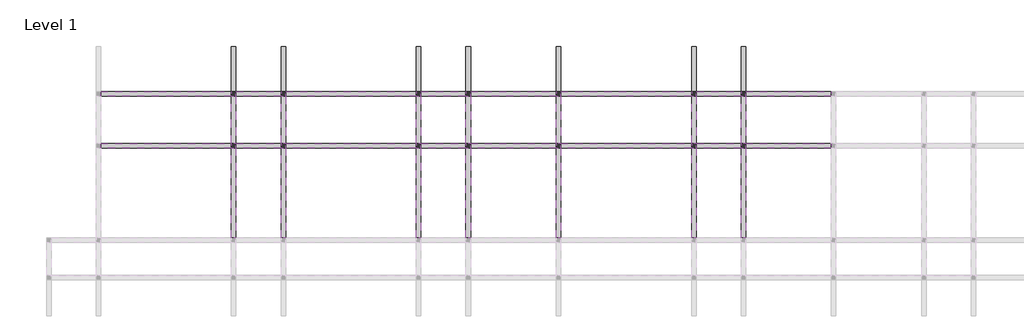
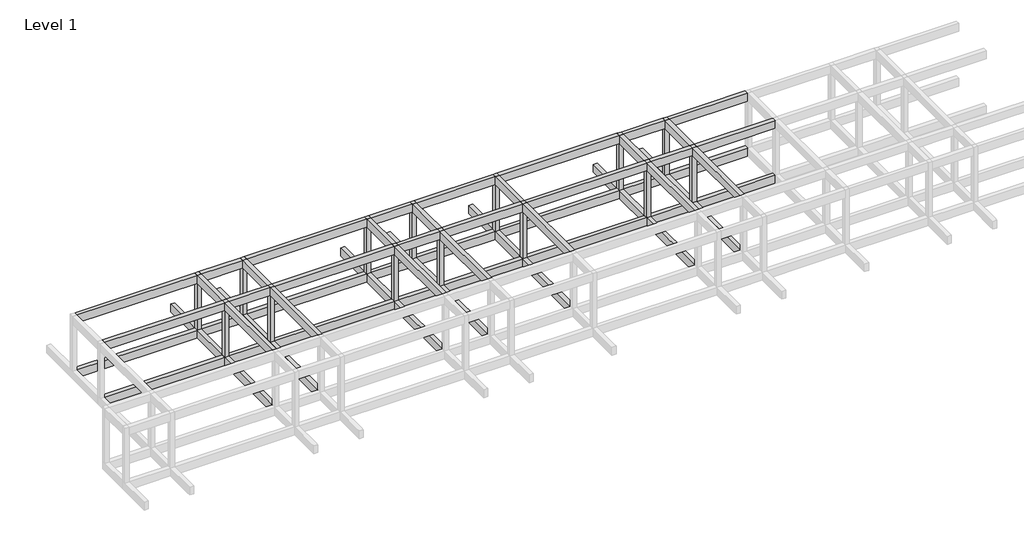
# One storey, part 4 of 5: 60 beams, 14 columns.
"""IFC4 building model written with IfcOpenShell, lengths in millimetres."""

from ifc_helpers import new_model, si_unit, frame, origin, origin_with_axes, place, context, project, spatial, polyline, outline, extrude, faceted_brep, element, save

model = new_model("IFC4")

# Units and contexts
model_context = context("Model", 3, world=origin())
ifc_project = project(units=[si_unit("LENGTHUNIT", "METRE", prefix="MILLI")], contexts=[model_context])

# Site, building, storey
site = spatial("IfcSite", under=ifc_project)
building = spatial("IfcBuilding", under=site)
storey = spatial("IfcBuildingStorey", under=building, Name="Level 1", Elevation=0.0)

# Beams
placement = place(None, origin())
element("IfcBeam", 1, ObjectType="M_Concrete-Rectangular Beam : 300 x 600mm", at=placement, inside=storey, context=model_context, shape_type="Brep", body=[
    faceted_brep([(-7704.046467, 6174.2507663, 0.0), (-8004.046467, 6174.2507663, 0.0), (-8004.046467, 5874.2507663, 0.0), (-8004.046467, -125.7492337, 0.0), (-7704.046467, -125.7492337, 0.0), (-7704.046467, 5874.2507663, 0.0), (-7704.046467, 6174.2507663, -600.0), (-7704.046467, -125.7492337, -600.0), (-7704.046467, 5874.2507663, -600.0), (-8004.046467, 6174.2507663, -600.0), (-8004.046467, -125.7492337, -600.0), (-8004.046467, 5874.2507663, -600.0)], [[[0, 1, 2, 3, 4, 5]], [[6, 0, 5, 4, 7, 8]], [[9, 6, 8, 7, 10, 11]], [[1, 9, 11, 10, 3, 2]], [[1, 0, 6, 9]], [[4, 3, 10, 7]]]),
])
element("IfcBeam", 2, ObjectType="M_Concrete-Rectangular Beam : 300 x 600mm", at=placement, inside=storey, context=model_context, shape_type="Brep", body=[
    faceted_brep([(-8004.046467, 12624.2507663, 0.0), (-7704.046467, 12624.2507663, 0.0), (-7704.046467, 12624.2507663, -600.0), (-8004.046467, 12624.2507663, -600.0), (-8004.046467, 9624.2507663, 0.0), (-8004.046467, 9324.2507663, 0.0), (-8004.046467, 6174.2507663, 0.0), (-7704.046467, 6174.2507663, 0.0), (-7704.046467, 9324.2507663, 0.0), (-7704.046467, 9624.2507663, 0.0), (-7704.046467, 6174.2507663, -600.0), (-7704.046467, 9324.2507663, -600.0), (-7704.046467, 9624.2507663, -600.0), (-8004.046467, 6174.2507663, -600.0), (-8004.046467, 9324.2507663, -600.0), (-8004.046467, 9624.2507663, -600.0)], [[[0, 1, 2, 3]], [[1, 0, 4, 5, 6, 7, 8, 9]], [[2, 1, 9, 8, 7, 10, 11, 12]], [[3, 2, 12, 11, 10, 13, 14, 15]], [[0, 3, 15, 14, 13, 6, 5, 4]], [[7, 6, 13, 10]]]),
])
element("IfcBeam", 3, ObjectType="M_Concrete-Rectangular Beam : 300 x 600mm", at=placement, inside=storey, context=model_context, shape_type="Brep", body=[
    faceted_brep([(-4404.046467, 6174.2507663, 0.0), (-4704.046467, 6174.2507663, 0.0), (-4704.046467, 5874.2507663, 0.0), (-4704.046467, -125.7492337, 0.0), (-4404.046467, -125.7492337, 0.0), (-4404.046467, 5874.2507663, 0.0), (-4404.046467, 6174.2507663, -600.0), (-4404.046467, -125.7492337, -600.0), (-4404.046467, 5874.2507663, -600.0), (-4704.046467, 6174.2507663, -600.0), (-4704.046467, -125.7492337, -600.0), (-4704.046467, 5874.2507663, -600.0)], [[[0, 1, 2, 3, 4, 5]], [[6, 0, 5, 4, 7, 8]], [[9, 6, 8, 7, 10, 11]], [[1, 9, 11, 10, 3, 2]], [[1, 0, 6, 9]], [[4, 3, 10, 7]]]),
])
element("IfcBeam", 4, ObjectType="M_Concrete-Rectangular Beam : 300 x 600mm", at=placement, inside=storey, context=model_context, shape_type="Brep", body=[
    faceted_brep([(-4704.046467, 12624.2507663, 0.0), (-4404.046467, 12624.2507663, 0.0), (-4404.046467, 12624.2507663, -600.0), (-4704.046467, 12624.2507663, -600.0), (-4704.046467, 9624.2507663, 0.0), (-4704.046467, 9324.2507663, 0.0), (-4704.046467, 6174.2507663, 0.0), (-4404.046467, 6174.2507663, 0.0), (-4404.046467, 9324.2507663, 0.0), (-4404.046467, 9624.2507663, 0.0), (-4404.046467, 6174.2507663, -600.0), (-4404.046467, 9324.2507663, -600.0), (-4404.046467, 9624.2507663, -600.0), (-4704.046467, 6174.2507663, -600.0), (-4704.046467, 9324.2507663, -600.0), (-4704.046467, 9624.2507663, -600.0)], [[[0, 1, 2, 3]], [[1, 0, 4, 5, 6, 7, 8, 9]], [[2, 1, 9, 8, 7, 10, 11, 12]], [[3, 2, 12, 11, 10, 13, 14, 15]], [[0, 3, 15, 14, 13, 6, 5, 4]], [[7, 6, 13, 10]]]),
])
element("IfcBeam", 5, ObjectType="M_Concrete-Rectangular Beam : 300 x 600mm", at=placement, inside=storey, context=model_context, shape_type="Brep", body=[
    faceted_brep([(4595.953533, 6174.2507663, 0.0), (4295.953533, 6174.2507663, 0.0), (4295.953533, 5874.2507663, 0.0), (4295.953533, -125.7492337, 0.0), (4595.953533, -125.7492337, 0.0), (4595.953533, 5874.2507663, 0.0), (4595.953533, 6174.2507663, -600.0), (4595.953533, -125.7492337, -600.0), (4595.953533, 5874.2507663, -600.0), (4295.953533, 6174.2507663, -600.0), (4295.953533, -125.7492337, -600.0), (4295.953533, 5874.2507663, -600.0)], [[[0, 1, 2, 3, 4, 5]], [[6, 0, 5, 4, 7, 8]], [[9, 6, 8, 7, 10, 11]], [[1, 9, 11, 10, 3, 2]], [[1, 0, 6, 9]], [[4, 3, 10, 7]]]),
])
element("IfcBeam", 6, ObjectType="M_Concrete-Rectangular Beam : 300 x 600mm", at=placement, inside=storey, context=model_context, shape_type="Brep", body=[
    faceted_brep([(4295.953533, 12624.2507663, 0.0), (4595.953533, 12624.2507663, 0.0), (4595.953533, 12624.2507663, -600.0), (4295.953533, 12624.2507663, -600.0), (4295.953533, 9624.2507663, 0.0), (4295.953533, 9324.2507663, 0.0), (4295.953533, 6174.2507663, 0.0), (4595.953533, 6174.2507663, 0.0), (4595.953533, 9324.2507663, 0.0), (4595.953533, 9624.2507663, 0.0), (4595.953533, 6174.2507663, -600.0), (4595.953533, 9324.2507663, -600.0), (4595.953533, 9624.2507663, -600.0), (4295.953533, 6174.2507663, -600.0), (4295.953533, 9324.2507663, -600.0), (4295.953533, 9624.2507663, -600.0)], [[[0, 1, 2, 3]], [[1, 0, 4, 5, 6, 7, 8, 9]], [[2, 1, 9, 8, 7, 10, 11, 12]], [[3, 2, 12, 11, 10, 13, 14, 15]], [[0, 3, 15, 14, 13, 6, 5, 4]], [[7, 6, 13, 10]]]),
])
element("IfcBeam", 7, ObjectType="M_Concrete-Rectangular Beam : 300 x 600mm", at=placement, inside=storey, context=model_context, shape_type="Brep", body=[
    faceted_brep([(7895.953533, 6174.2507663, 0.0), (7595.953533, 6174.2507663, 0.0), (7595.953533, 5874.2507663, 0.0), (7595.953533, -125.7492337, 0.0), (7895.953533, -125.7492337, 0.0), (7895.953533, 5874.2507663, 0.0), (7895.953533, 6174.2507663, -600.0), (7895.953533, -125.7492337, -600.0), (7895.953533, 5874.2507663, -600.0), (7595.953533, 6174.2507663, -600.0), (7595.953533, -125.7492337, -600.0), (7595.953533, 5874.2507663, -600.0)], [[[0, 1, 2, 3, 4, 5]], [[6, 0, 5, 4, 7, 8]], [[9, 6, 8, 7, 10, 11]], [[1, 9, 11, 10, 3, 2]], [[1, 0, 6, 9]], [[4, 3, 10, 7]]]),
])
element("IfcBeam", 8, ObjectType="M_Concrete-Rectangular Beam : 300 x 600mm", at=placement, inside=storey, context=model_context, shape_type="Brep", body=[
    faceted_brep([(7595.953533, 12624.2507663, 0.0), (7895.953533, 12624.2507663, 0.0), (7895.953533, 12624.2507663, -600.0), (7595.953533, 12624.2507663, -600.0), (7595.953533, 9624.2507663, 0.0), (7595.953533, 9324.2507663, 0.0), (7595.953533, 6174.2507663, 0.0), (7895.953533, 6174.2507663, 0.0), (7895.953533, 9324.2507663, 0.0), (7895.953533, 9624.2507663, 0.0), (7895.953533, 6174.2507663, -600.0), (7895.953533, 9324.2507663, -600.0), (7895.953533, 9624.2507663, -600.0), (7595.953533, 6174.2507663, -600.0), (7595.953533, 9324.2507663, -600.0), (7595.953533, 9624.2507663, -600.0)], [[[0, 1, 2, 3]], [[1, 0, 4, 5, 6, 7, 8, 9]], [[2, 1, 9, 8, 7, 10, 11, 12]], [[3, 2, 12, 11, 10, 13, 14, 15]], [[0, 3, 15, 14, 13, 6, 5, 4]], [[7, 6, 13, 10]]]),
])
element("IfcBeam", 9, ObjectType="M_Concrete-Rectangular Beam : 300 x 600mm", at=placement, inside=storey, context=model_context, shape_type="Brep", body=[
    faceted_brep([(13895.953533, 6174.2507663, 0.0), (13595.953533, 6174.2507663, 0.0), (13595.953533, 5874.2507663, 0.0), (13595.953533, -125.7492337, 0.0), (13895.953533, -125.7492337, 0.0), (13895.953533, 5874.2507663, 0.0), (13895.953533, 6174.2507663, -600.0), (13895.953533, -125.7492337, -600.0), (13895.953533, 5874.2507663, -600.0), (13595.953533, 6174.2507663, -600.0), (13595.953533, -125.7492337, -600.0), (13595.953533, 5874.2507663, -600.0)], [[[0, 1, 2, 3, 4, 5]], [[6, 0, 5, 4, 7, 8]], [[9, 6, 8, 7, 10, 11]], [[1, 9, 11, 10, 3, 2]], [[1, 0, 6, 9]], [[4, 3, 10, 7]]]),
])
element("IfcBeam", 10, ObjectType="M_Concrete-Rectangular Beam : 300 x 600mm", at=placement, inside=storey, context=model_context, shape_type="Brep", body=[
    faceted_brep([(13595.953533, 12624.2507663, 0.0), (13895.953533, 12624.2507663, 0.0), (13895.953533, 12624.2507663, -600.0), (13595.953533, 12624.2507663, -600.0), (13595.953533, 9624.2507663, 0.0), (13595.953533, 9324.2507663, 0.0), (13595.953533, 6174.2507663, 0.0), (13895.953533, 6174.2507663, 0.0), (13895.953533, 9324.2507663, 0.0), (13895.953533, 9624.2507663, 0.0), (13895.953533, 6174.2507663, -600.0), (13895.953533, 9324.2507663, -600.0), (13895.953533, 9624.2507663, -600.0), (13595.953533, 6174.2507663, -600.0), (13595.953533, 9324.2507663, -600.0), (13595.953533, 9624.2507663, -600.0)], [[[0, 1, 2, 3]], [[1, 0, 4, 5, 6, 7, 8, 9]], [[2, 1, 9, 8, 7, 10, 11, 12]], [[3, 2, 12, 11, 10, 13, 14, 15]], [[0, 3, 15, 14, 13, 6, 5, 4]], [[7, 6, 13, 10]]]),
])
element("IfcBeam", 11, ObjectType="M_Concrete-Rectangular Beam : 300 x 600mm", at=placement, inside=storey, context=model_context, shape_type="Brep", body=[
    faceted_brep([(26195.953533, 6174.2507663, 0.0), (25895.953533, 6174.2507663, 0.0), (25895.953533, 5874.2507663, 0.0), (25895.953533, -125.7492337, 0.0), (26195.953533, -125.7492337, 0.0), (26195.953533, 5874.2507663, 0.0), (26195.953533, 6174.2507663, -600.0), (26195.953533, -125.7492337, -600.0), (26195.953533, 5874.2507663, -600.0), (25895.953533, 6174.2507663, -600.0), (25895.953533, -125.7492337, -600.0), (25895.953533, 5874.2507663, -600.0)], [[[0, 1, 2, 3, 4, 5]], [[6, 0, 5, 4, 7, 8]], [[9, 6, 8, 7, 10, 11]], [[1, 9, 11, 10, 3, 2]], [[1, 0, 6, 9]], [[4, 3, 10, 7]]]),
])
element("IfcBeam", 12, ObjectType="M_Concrete-Rectangular Beam : 300 x 600mm", at=placement, inside=storey, context=model_context, shape_type="Brep", body=[
    faceted_brep([(25895.953533, 12624.2507663, 0.0), (26195.953533, 12624.2507663, 0.0), (26195.953533, 12624.2507663, -600.0), (25895.953533, 12624.2507663, -600.0), (25895.953533, 9624.2507663, 0.0), (25895.953533, 9324.2507663, 0.0), (25895.953533, 6174.2507663, 0.0), (26195.953533, 6174.2507663, 0.0), (26195.953533, 9324.2507663, 0.0), (26195.953533, 9624.2507663, 0.0), (26195.953533, 6174.2507663, -600.0), (26195.953533, 9324.2507663, -600.0), (26195.953533, 9624.2507663, -600.0), (25895.953533, 6174.2507663, -600.0), (25895.953533, 9324.2507663, -600.0), (25895.953533, 9624.2507663, -600.0)], [[[0, 1, 2, 3]], [[1, 0, 4, 5, 6, 7, 8, 9]], [[2, 1, 9, 8, 7, 10, 11, 12]], [[3, 2, 12, 11, 10, 13, 14, 15]], [[0, 3, 15, 14, 13, 6, 5, 4]], [[7, 6, 13, 10]]]),
])
element("IfcBeam", 13, ObjectType="M_Concrete-Rectangular Beam : 300 x 600mm", at=placement, inside=storey, context=model_context, shape_type="Brep", body=[
    faceted_brep([(22895.953533, 6174.2507663, 0.0), (22595.953533, 6174.2507663, 0.0), (22595.953533, 5874.2507663, 0.0), (22595.953533, -125.7492337, 0.0), (22895.953533, -125.7492337, 0.0), (22895.953533, 5874.2507663, 0.0), (22895.953533, 6174.2507663, -600.0), (22895.953533, -125.7492337, -600.0), (22895.953533, 5874.2507663, -600.0), (22595.953533, 6174.2507663, -600.0), (22595.953533, -125.7492337, -600.0), (22595.953533, 5874.2507663, -600.0)], [[[0, 1, 2, 3, 4, 5]], [[6, 0, 5, 4, 7, 8]], [[9, 6, 8, 7, 10, 11]], [[1, 9, 11, 10, 3, 2]], [[1, 0, 6, 9]], [[4, 3, 10, 7]]]),
])
element("IfcBeam", 14, ObjectType="M_Concrete-Rectangular Beam : 300 x 600mm", at=placement, inside=storey, context=model_context, shape_type="Brep", body=[
    faceted_brep([(22595.953533, 12624.2507663, 0.0), (22895.953533, 12624.2507663, 0.0), (22895.953533, 12624.2507663, -600.0), (22595.953533, 12624.2507663, -600.0), (22595.953533, 9624.2507663, 0.0), (22595.953533, 9324.2507663, 0.0), (22595.953533, 6174.2507663, 0.0), (22895.953533, 6174.2507663, 0.0), (22895.953533, 9324.2507663, 0.0), (22895.953533, 9624.2507663, 0.0), (22895.953533, 6174.2507663, -600.0), (22895.953533, 9324.2507663, -600.0), (22895.953533, 9624.2507663, -600.0), (22595.953533, 6174.2507663, -600.0), (22595.953533, 9324.2507663, -600.0), (22595.953533, 9624.2507663, -600.0)], [[[0, 1, 2, 3]], [[1, 0, 4, 5, 6, 7, 8, 9]], [[2, 1, 9, 8, 7, 10, 11, 12]], [[3, 2, 12, 11, 10, 13, 14, 15]], [[0, 3, 15, 14, 13, 6, 5, 4]], [[7, 6, 13, 10]]]),
])
element("IfcBeam", 15, ObjectType="M_Concrete-Rectangular Beam : 300 x 600mm", at=placement, inside=storey, context=model_context, shape_type="SweptSolid", body=[
    extrude(outline(polyline([(-16704.046467, 9324.2507663), (-16704.046467, 9624.2507663), (-8004.046467, 9624.2507663), (-8004.046467, 9324.2507663), (-16704.046467, 9324.2507663)])), frame((0.0, 0.0, -600.0), z_axis=(0.0, 0.0, 1.0), x_axis=(1.0, 0.0, 0.0)), (0.0, 0.0, 1.0), 600.0),
])
element("IfcBeam", 16, ObjectType="M_Concrete-Rectangular Beam : 300 x 600mm", at=placement, inside=storey, context=model_context, shape_type="SweptSolid", body=[
    extrude(outline(polyline([(-7704.046467, 9324.2507663), (-7704.046467, 9624.2507663), (-4704.046467, 9624.2507663), (-4704.046467, 9324.2507663), (-7704.046467, 9324.2507663)])), frame((0.0, 0.0, -600.0), z_axis=(0.0, 0.0, 1.0), x_axis=(1.0, 0.0, 0.0)), (0.0, 0.0, 1.0), 600.0),
])
element("IfcBeam", 17, ObjectType="M_Concrete-Rectangular Beam : 300 x 600mm", at=placement, inside=storey, context=model_context, shape_type="SweptSolid", body=[
    extrude(outline(polyline([(-4404.046467, 9324.2507663), (-4404.046467, 9624.2507663), (4295.953533, 9624.2507663), (4295.953533, 9324.2507663), (-4404.046467, 9324.2507663)])), frame((0.0, 0.0, -600.0), z_axis=(0.0, 0.0, 1.0), x_axis=(1.0, 0.0, 0.0)), (0.0, 0.0, 1.0), 600.0),
])
element("IfcBeam", 18, ObjectType="M_Concrete-Rectangular Beam : 300 x 600mm", at=placement, inside=storey, context=model_context, shape_type="SweptSolid", body=[
    extrude(outline(polyline([(4595.953533, 9324.2507663), (4595.953533, 9624.2507663), (7595.953533, 9624.2507663), (7595.953533, 9324.2507663), (4595.953533, 9324.2507663)])), frame((0.0, 0.0, -600.0), z_axis=(0.0, 0.0, 1.0), x_axis=(1.0, 0.0, 0.0)), (0.0, 0.0, 1.0), 600.0),
])
element("IfcBeam", 19, ObjectType="M_Concrete-Rectangular Beam : 300 x 600mm", at=placement, inside=storey, context=model_context, shape_type="SweptSolid", body=[
    extrude(outline(polyline([(7895.953533, 9324.2507663), (7895.953533, 9624.2507663), (13595.953533, 9624.2507663), (13595.953533, 9324.2507663), (7895.953533, 9324.2507663)])), frame((0.0, 0.0, -600.0), z_axis=(0.0, 0.0, 1.0), x_axis=(1.0, 0.0, 0.0)), (0.0, 0.0, 1.0), 600.0),
])
element("IfcBeam", 20, ObjectType="M_Concrete-Rectangular Beam : 300 x 600mm", at=placement, inside=storey, context=model_context, shape_type="SweptSolid", body=[
    extrude(outline(polyline([(13895.953533, 9324.2507663), (13895.953533, 9624.2507663), (22595.953533, 9624.2507663), (22595.953533, 9324.2507663), (13895.953533, 9324.2507663)])), frame((0.0, 0.0, -600.0), z_axis=(0.0, 0.0, 1.0), x_axis=(1.0, 0.0, 0.0)), (0.0, 0.0, 1.0), 600.0),
])
element("IfcBeam", 21, ObjectType="M_Concrete-Rectangular Beam : 300 x 600mm", at=placement, inside=storey, context=model_context, shape_type="SweptSolid", body=[
    extrude(outline(polyline([(25895.953533, 9624.2507663), (25895.953533, 9324.2507663), (22895.953533, 9324.2507663), (22895.953533, 9624.2507663), (25895.953533, 9624.2507663)])), frame((0.0, 0.0, -600.0), z_axis=(0.0, 0.0, 1.0), x_axis=(1.0, 0.0, 0.0)), (0.0, 0.0, 1.0), 600.0),
])
element("IfcBeam", 22, ObjectType="M_Concrete-Rectangular Beam : 300 x 600mm", at=placement, inside=storey, context=model_context, shape_type="SweptSolid", body=[
    extrude(outline(polyline([(26195.953533, 9324.2507663), (26195.953533, 9624.2507663), (31895.953533, 9624.2507663), (31895.953533, 9324.2507663), (26195.953533, 9324.2507663)])), frame((0.0, 0.0, -600.0), z_axis=(0.0, 0.0, 1.0), x_axis=(1.0, 0.0, 0.0)), (0.0, 0.0, 1.0), 600.0),
])
element("IfcBeam", 23, ObjectType="M_Concrete-Rectangular Beam : 300 x 600mm", at=placement, inside=storey, context=model_context, shape_type="SweptSolid", body=[
    extrude(outline(polyline([(-16704.046467, 5874.2507663), (-16704.046467, 6174.2507663), (-8004.046467, 6174.2507663), (-8004.046467, 5874.2507663), (-16704.046467, 5874.2507663)])), frame((0.0, 0.0, -600.0), z_axis=(0.0, 0.0, 1.0), x_axis=(1.0, 0.0, 0.0)), (0.0, 0.0, 1.0), 600.0),
])
element("IfcBeam", 24, ObjectType="M_Concrete-Rectangular Beam : 300 x 600mm", at=placement, inside=storey, context=model_context, shape_type="SweptSolid", body=[
    extrude(outline(polyline([(-7704.046467, 5874.2507663), (-7704.046467, 6174.2507663), (-4704.046467, 6174.2507663), (-4704.046467, 5874.2507663), (-7704.046467, 5874.2507663)])), frame((0.0, 0.0, -600.0), z_axis=(0.0, 0.0, 1.0), x_axis=(1.0, 0.0, 0.0)), (0.0, 0.0, 1.0), 600.0),
])
element("IfcBeam", 25, ObjectType="M_Concrete-Rectangular Beam : 300 x 600mm", at=placement, inside=storey, context=model_context, shape_type="SweptSolid", body=[
    extrude(outline(polyline([(-4404.046467, 5874.2507663), (-4404.046467, 6174.2507663), (4295.953533, 6174.2507663), (4295.953533, 5874.2507663), (-4404.046467, 5874.2507663)])), frame((0.0, 0.0, -600.0), z_axis=(0.0, 0.0, 1.0), x_axis=(1.0, 0.0, 0.0)), (0.0, 0.0, 1.0), 600.0),
])
element("IfcBeam", 26, ObjectType="M_Concrete-Rectangular Beam : 300 x 600mm", at=placement, inside=storey, context=model_context, shape_type="SweptSolid", body=[
    extrude(outline(polyline([(4595.953533, 5874.2507663), (4595.953533, 6174.2507663), (7595.953533, 6174.2507663), (7595.953533, 5874.2507663), (4595.953533, 5874.2507663)])), frame((0.0, 0.0, -600.0), z_axis=(0.0, 0.0, 1.0), x_axis=(1.0, 0.0, 0.0)), (0.0, 0.0, 1.0), 600.0),
])
element("IfcBeam", 27, ObjectType="M_Concrete-Rectangular Beam : 300 x 600mm", at=placement, inside=storey, context=model_context, shape_type="SweptSolid", body=[
    extrude(outline(polyline([(7895.953533, 5874.2507663), (7895.953533, 6174.2507663), (13595.953533, 6174.2507663), (13595.953533, 5874.2507663), (7895.953533, 5874.2507663)])), frame((0.0, 0.0, -600.0), z_axis=(0.0, 0.0, 1.0), x_axis=(1.0, 0.0, 0.0)), (0.0, 0.0, 1.0), 600.0),
])
element("IfcBeam", 28, ObjectType="M_Concrete-Rectangular Beam : 300 x 600mm", at=placement, inside=storey, context=model_context, shape_type="SweptSolid", body=[
    extrude(outline(polyline([(13895.953533, 5874.2507663), (13895.953533, 6174.2507663), (22595.953533, 6174.2507663), (22595.953533, 5874.2507663), (13895.953533, 5874.2507663)])), frame((0.0, 0.0, -600.0), z_axis=(0.0, 0.0, 1.0), x_axis=(1.0, 0.0, 0.0)), (0.0, 0.0, 1.0), 600.0),
])
element("IfcBeam", 29, ObjectType="M_Concrete-Rectangular Beam : 300 x 600mm", at=placement, inside=storey, context=model_context, shape_type="SweptSolid", body=[
    extrude(outline(polyline([(25895.953533, 6174.2507663), (25895.953533, 5874.2507663), (22895.953533, 5874.2507663), (22895.953533, 6174.2507663), (25895.953533, 6174.2507663)])), frame((0.0, 0.0, -600.0), z_axis=(0.0, 0.0, 1.0), x_axis=(1.0, 0.0, 0.0)), (0.0, 0.0, 1.0), 600.0),
])
element("IfcBeam", 30, ObjectType="M_Concrete-Rectangular Beam : 300 x 600mm", at=placement, inside=storey, context=model_context, shape_type="SweptSolid", body=[
    extrude(outline(polyline([(26195.953533, 5874.2507663), (26195.953533, 6174.2507663), (31895.953533, 6174.2507663), (31895.953533, 5874.2507663), (26195.953533, 5874.2507663)])), frame((0.0, 0.0, -600.0), z_axis=(0.0, 0.0, 1.0), x_axis=(1.0, 0.0, 0.0)), (0.0, 0.0, 1.0), 600.0),
])
element("IfcBeam", 31, ObjectType="M_Concrete-Rectangular Beam : 300 x 600mm", at=placement, inside=storey, context=model_context, shape_type="SweptSolid", body=[
    extrude(outline(polyline([(-8004.046467, 5874.2507663), (-7704.046467, 5874.2507663), (-7704.046467, -125.7492337), (-8004.046467, -125.7492337), (-8004.046467, 5874.2507663)])), frame((0.0, 0.0, 3600.0), z_axis=(0.0, 0.0, 1.0), x_axis=(1.0, 0.0, 0.0)), (0.0, 0.0, 1.0), 600.0),
])
element("IfcBeam", 32, ObjectType="M_Concrete-Rectangular Beam : 300 x 600mm", at=placement, inside=storey, context=model_context, shape_type="SweptSolid", body=[
    extrude(outline(polyline([(-8004.046467, 9324.2507663), (-7704.046467, 9324.2507663), (-7704.046467, 6174.2507663), (-8004.046467, 6174.2507663), (-8004.046467, 9324.2507663)])), frame((0.0, 0.0, 3600.0), z_axis=(0.0, 0.0, 1.0), x_axis=(1.0, 0.0, 0.0)), (0.0, 0.0, 1.0), 600.0),
])
element("IfcBeam", 33, ObjectType="M_Concrete-Rectangular Beam : 300 x 600mm", at=placement, inside=storey, context=model_context, shape_type="SweptSolid", body=[
    extrude(outline(polyline([(-4704.046467, 5874.2507663), (-4404.046467, 5874.2507663), (-4404.046467, -125.7492337), (-4704.046467, -125.7492337), (-4704.046467, 5874.2507663)])), frame((0.0, 0.0, 3600.0), z_axis=(0.0, 0.0, 1.0), x_axis=(1.0, 0.0, 0.0)), (0.0, 0.0, 1.0), 600.0),
])
element("IfcBeam", 34, ObjectType="M_Concrete-Rectangular Beam : 300 x 600mm", at=placement, inside=storey, context=model_context, shape_type="SweptSolid", body=[
    extrude(outline(polyline([(-4704.046467, 9324.2507663), (-4404.046467, 9324.2507663), (-4404.046467, 6174.2507663), (-4704.046467, 6174.2507663), (-4704.046467, 9324.2507663)])), frame((0.0, 0.0, 3600.0), z_axis=(0.0, 0.0, 1.0), x_axis=(1.0, 0.0, 0.0)), (0.0, 0.0, 1.0), 600.0),
])
element("IfcBeam", 35, ObjectType="M_Concrete-Rectangular Beam : 300 x 600mm", at=placement, inside=storey, context=model_context, shape_type="SweptSolid", body=[
    extrude(outline(polyline([(4295.953533, 5874.2507663), (4595.953533, 5874.2507663), (4595.953533, -125.7492337), (4295.953533, -125.7492337), (4295.953533, 5874.2507663)])), frame((0.0, 0.0, 3600.0), z_axis=(0.0, 0.0, 1.0), x_axis=(1.0, 0.0, 0.0)), (0.0, 0.0, 1.0), 600.0),
])
element("IfcBeam", 36, ObjectType="M_Concrete-Rectangular Beam : 300 x 600mm", at=placement, inside=storey, context=model_context, shape_type="SweptSolid", body=[
    extrude(outline(polyline([(4295.953533, 9324.2507663), (4595.953533, 9324.2507663), (4595.953533, 6174.2507663), (4295.953533, 6174.2507663), (4295.953533, 9324.2507663)])), frame((0.0, 0.0, 3600.0), z_axis=(0.0, 0.0, 1.0), x_axis=(1.0, 0.0, 0.0)), (0.0, 0.0, 1.0), 600.0),
])
element("IfcBeam", 37, ObjectType="M_Concrete-Rectangular Beam : 300 x 600mm", at=placement, inside=storey, context=model_context, shape_type="SweptSolid", body=[
    extrude(outline(polyline([(7595.953533, 5874.2507663), (7895.953533, 5874.2507663), (7895.953533, -125.7492337), (7595.953533, -125.7492337), (7595.953533, 5874.2507663)])), frame((0.0, 0.0, 3600.0), z_axis=(0.0, 0.0, 1.0), x_axis=(1.0, 0.0, 0.0)), (0.0, 0.0, 1.0), 600.0),
])
element("IfcBeam", 38, ObjectType="M_Concrete-Rectangular Beam : 300 x 600mm", at=placement, inside=storey, context=model_context, shape_type="SweptSolid", body=[
    extrude(outline(polyline([(7595.953533, 9324.2507663), (7895.953533, 9324.2507663), (7895.953533, 6174.2507663), (7595.953533, 6174.2507663), (7595.953533, 9324.2507663)])), frame((0.0, 0.0, 3600.0), z_axis=(0.0, 0.0, 1.0), x_axis=(1.0, 0.0, 0.0)), (0.0, 0.0, 1.0), 600.0),
])
element("IfcBeam", 39, ObjectType="M_Concrete-Rectangular Beam : 300 x 600mm", at=placement, inside=storey, context=model_context, shape_type="SweptSolid", body=[
    extrude(outline(polyline([(13595.953533, 5874.2507663), (13895.953533, 5874.2507663), (13895.953533, -125.7492337), (13595.953533, -125.7492337), (13595.953533, 5874.2507663)])), frame((0.0, 0.0, 3600.0), z_axis=(0.0, 0.0, 1.0), x_axis=(1.0, 0.0, 0.0)), (0.0, 0.0, 1.0), 600.0),
])
element("IfcBeam", 40, ObjectType="M_Concrete-Rectangular Beam : 300 x 600mm", at=placement, inside=storey, context=model_context, shape_type="SweptSolid", body=[
    extrude(outline(polyline([(13595.953533, 9324.2507663), (13895.953533, 9324.2507663), (13895.953533, 6174.2507663), (13595.953533, 6174.2507663), (13595.953533, 9324.2507663)])), frame((0.0, 0.0, 3600.0), z_axis=(0.0, 0.0, 1.0), x_axis=(1.0, 0.0, 0.0)), (0.0, 0.0, 1.0), 600.0),
])
element("IfcBeam", 41, ObjectType="M_Concrete-Rectangular Beam : 300 x 600mm", at=placement, inside=storey, context=model_context, shape_type="SweptSolid", body=[
    extrude(outline(polyline([(25895.953533, 5874.2507663), (26195.953533, 5874.2507663), (26195.953533, -125.7492337), (25895.953533, -125.7492337), (25895.953533, 5874.2507663)])), frame((0.0, 0.0, 3600.0), z_axis=(0.0, 0.0, 1.0), x_axis=(1.0, 0.0, 0.0)), (0.0, 0.0, 1.0), 600.0),
])
element("IfcBeam", 42, ObjectType="M_Concrete-Rectangular Beam : 300 x 600mm", at=placement, inside=storey, context=model_context, shape_type="SweptSolid", body=[
    extrude(outline(polyline([(25895.953533, 9324.2507663), (26195.953533, 9324.2507663), (26195.953533, 6174.2507663), (25895.953533, 6174.2507663), (25895.953533, 9324.2507663)])), frame((0.0, 0.0, 3600.0), z_axis=(0.0, 0.0, 1.0), x_axis=(1.0, 0.0, 0.0)), (0.0, 0.0, 1.0), 600.0),
])
element("IfcBeam", 43, ObjectType="M_Concrete-Rectangular Beam : 300 x 600mm", at=placement, inside=storey, context=model_context, shape_type="SweptSolid", body=[
    extrude(outline(polyline([(22595.953533, 5874.2507663), (22895.953533, 5874.2507663), (22895.953533, -125.7492337), (22595.953533, -125.7492337), (22595.953533, 5874.2507663)])), frame((0.0, 0.0, 3600.0), z_axis=(0.0, 0.0, 1.0), x_axis=(1.0, 0.0, 0.0)), (0.0, 0.0, 1.0), 600.0),
])
element("IfcBeam", 44, ObjectType="M_Concrete-Rectangular Beam : 300 x 600mm", at=placement, inside=storey, context=model_context, shape_type="SweptSolid", body=[
    extrude(outline(polyline([(22595.953533, 9324.2507663), (22895.953533, 9324.2507663), (22895.953533, 6174.2507663), (22595.953533, 6174.2507663), (22595.953533, 9324.2507663)])), frame((0.0, 0.0, 3600.0), z_axis=(0.0, 0.0, 1.0), x_axis=(1.0, 0.0, 0.0)), (0.0, 0.0, 1.0), 600.0),
])
element("IfcBeam", 45, ObjectType="M_Concrete-Rectangular Beam : 300 x 600mm", at=placement, inside=storey, context=model_context, shape_type="SweptSolid", body=[
    extrude(outline(polyline([(-16704.046467, 9324.2507663), (-16704.046467, 9624.2507663), (-8004.046467, 9624.2507663), (-8004.046467, 9324.2507663), (-16704.046467, 9324.2507663)])), frame((0.0, 0.0, 3600.0), z_axis=(0.0, 0.0, 1.0), x_axis=(1.0, 0.0, 0.0)), (0.0, 0.0, 1.0), 600.0),
])
element("IfcBeam", 46, ObjectType="M_Concrete-Rectangular Beam : 300 x 600mm", at=placement, inside=storey, context=model_context, shape_type="SweptSolid", body=[
    extrude(outline(polyline([(-7704.046467, 9324.2507663), (-7704.046467, 9624.2507663), (-4704.046467, 9624.2507663), (-4704.046467, 9324.2507663), (-7704.046467, 9324.2507663)])), frame((0.0, 0.0, 3600.0), z_axis=(0.0, 0.0, 1.0), x_axis=(1.0, 0.0, 0.0)), (0.0, 0.0, 1.0), 600.0),
])
element("IfcBeam", 47, ObjectType="M_Concrete-Rectangular Beam : 300 x 600mm", at=placement, inside=storey, context=model_context, shape_type="SweptSolid", body=[
    extrude(outline(polyline([(-4404.046467, 9324.2507663), (-4404.046467, 9624.2507663), (4295.953533, 9624.2507663), (4295.953533, 9324.2507663), (-4404.046467, 9324.2507663)])), frame((0.0, 0.0, 3600.0), z_axis=(0.0, 0.0, 1.0), x_axis=(1.0, 0.0, 0.0)), (0.0, 0.0, 1.0), 600.0),
])
element("IfcBeam", 48, ObjectType="M_Concrete-Rectangular Beam : 300 x 600mm", at=placement, inside=storey, context=model_context, shape_type="SweptSolid", body=[
    extrude(outline(polyline([(4595.953533, 9324.2507663), (4595.953533, 9624.2507663), (7595.953533, 9624.2507663), (7595.953533, 9324.2507663), (4595.953533, 9324.2507663)])), frame((0.0, 0.0, 3600.0), z_axis=(0.0, 0.0, 1.0), x_axis=(1.0, 0.0, 0.0)), (0.0, 0.0, 1.0), 600.0),
])
element("IfcBeam", 49, ObjectType="M_Concrete-Rectangular Beam : 300 x 600mm", at=placement, inside=storey, context=model_context, shape_type="SweptSolid", body=[
    extrude(outline(polyline([(7895.953533, 9324.2507663), (7895.953533, 9624.2507663), (13595.953533, 9624.2507663), (13595.953533, 9324.2507663), (7895.953533, 9324.2507663)])), frame((0.0, 0.0, 3600.0), z_axis=(0.0, 0.0, 1.0), x_axis=(1.0, 0.0, 0.0)), (0.0, 0.0, 1.0), 600.0),
])
element("IfcBeam", 50, ObjectType="M_Concrete-Rectangular Beam : 300 x 600mm", at=placement, inside=storey, context=model_context, shape_type="SweptSolid", body=[
    extrude(outline(polyline([(13895.953533, 9324.2507663), (13895.953533, 9624.2507663), (22595.953533, 9624.2507663), (22595.953533, 9324.2507663), (13895.953533, 9324.2507663)])), frame((0.0, 0.0, 3600.0), z_axis=(0.0, 0.0, 1.0), x_axis=(1.0, 0.0, 0.0)), (0.0, 0.0, 1.0), 600.0),
])
element("IfcBeam", 51, ObjectType="M_Concrete-Rectangular Beam : 300 x 600mm", at=placement, inside=storey, context=model_context, shape_type="SweptSolid", body=[
    extrude(outline(polyline([(25895.953533, 9624.2507663), (25895.953533, 9324.2507663), (22895.953533, 9324.2507663), (22895.953533, 9624.2507663), (25895.953533, 9624.2507663)])), frame((0.0, 0.0, 3600.0), z_axis=(0.0, 0.0, 1.0), x_axis=(1.0, 0.0, 0.0)), (0.0, 0.0, 1.0), 600.0),
])
element("IfcBeam", 52, ObjectType="M_Concrete-Rectangular Beam : 300 x 600mm", at=placement, inside=storey, context=model_context, shape_type="SweptSolid", body=[
    extrude(outline(polyline([(26195.953533, 9324.2507663), (26195.953533, 9624.2507663), (31895.953533, 9624.2507663), (31895.953533, 9324.2507663), (26195.953533, 9324.2507663)])), frame((0.0, 0.0, 3600.0), z_axis=(0.0, 0.0, 1.0), x_axis=(1.0, 0.0, 0.0)), (0.0, 0.0, 1.0), 600.0),
])
element("IfcBeam", 53, ObjectType="M_Concrete-Rectangular Beam : 300 x 600mm", at=placement, inside=storey, context=model_context, shape_type="SweptSolid", body=[
    extrude(outline(polyline([(-16704.046467, 5874.2507663), (-16704.046467, 6174.2507663), (-8004.046467, 6174.2507663), (-8004.046467, 5874.2507663), (-16704.046467, 5874.2507663)])), frame((0.0, 0.0, 3600.0), z_axis=(0.0, 0.0, 1.0), x_axis=(1.0, 0.0, 0.0)), (0.0, 0.0, 1.0), 600.0),
])
element("IfcBeam", 54, ObjectType="M_Concrete-Rectangular Beam : 300 x 600mm", at=placement, inside=storey, context=model_context, shape_type="SweptSolid", body=[
    extrude(outline(polyline([(-7704.046467, 5874.2507663), (-7704.046467, 6174.2507663), (-4704.046467, 6174.2507663), (-4704.046467, 5874.2507663), (-7704.046467, 5874.2507663)])), frame((0.0, 0.0, 3600.0), z_axis=(0.0, 0.0, 1.0), x_axis=(1.0, 0.0, 0.0)), (0.0, 0.0, 1.0), 600.0),
])
element("IfcBeam", 55, ObjectType="M_Concrete-Rectangular Beam : 300 x 600mm", at=placement, inside=storey, context=model_context, shape_type="SweptSolid", body=[
    extrude(outline(polyline([(-4404.046467, 5874.2507663), (-4404.046467, 6174.2507663), (4295.953533, 6174.2507663), (4295.953533, 5874.2507663), (-4404.046467, 5874.2507663)])), frame((0.0, 0.0, 3600.0), z_axis=(0.0, 0.0, 1.0), x_axis=(1.0, 0.0, 0.0)), (0.0, 0.0, 1.0), 600.0),
])
element("IfcBeam", 56, ObjectType="M_Concrete-Rectangular Beam : 300 x 600mm", at=placement, inside=storey, context=model_context, shape_type="SweptSolid", body=[
    extrude(outline(polyline([(4595.953533, 5874.2507663), (4595.953533, 6174.2507663), (7595.953533, 6174.2507663), (7595.953533, 5874.2507663), (4595.953533, 5874.2507663)])), frame((0.0, 0.0, 3600.0), z_axis=(0.0, 0.0, 1.0), x_axis=(1.0, 0.0, 0.0)), (0.0, 0.0, 1.0), 600.0),
])
element("IfcBeam", 57, ObjectType="M_Concrete-Rectangular Beam : 300 x 600mm", at=placement, inside=storey, context=model_context, shape_type="SweptSolid", body=[
    extrude(outline(polyline([(7895.953533, 5874.2507663), (7895.953533, 6174.2507663), (13595.953533, 6174.2507663), (13595.953533, 5874.2507663), (7895.953533, 5874.2507663)])), frame((0.0, 0.0, 3600.0), z_axis=(0.0, 0.0, 1.0), x_axis=(1.0, 0.0, 0.0)), (0.0, 0.0, 1.0), 600.0),
])
element("IfcBeam", 58, ObjectType="M_Concrete-Rectangular Beam : 300 x 600mm", at=placement, inside=storey, context=model_context, shape_type="SweptSolid", body=[
    extrude(outline(polyline([(13895.953533, 5874.2507663), (13895.953533, 6174.2507663), (22595.953533, 6174.2507663), (22595.953533, 5874.2507663), (13895.953533, 5874.2507663)])), frame((0.0, 0.0, 3600.0), z_axis=(0.0, 0.0, 1.0), x_axis=(1.0, 0.0, 0.0)), (0.0, 0.0, 1.0), 600.0),
])
element("IfcBeam", 59, ObjectType="M_Concrete-Rectangular Beam : 300 x 600mm", at=placement, inside=storey, context=model_context, shape_type="SweptSolid", body=[
    extrude(outline(polyline([(25895.953533, 6174.2507663), (25895.953533, 5874.2507663), (22895.953533, 5874.2507663), (22895.953533, 6174.2507663), (25895.953533, 6174.2507663)])), frame((0.0, 0.0, 3600.0), z_axis=(0.0, 0.0, 1.0), x_axis=(1.0, 0.0, 0.0)), (0.0, 0.0, 1.0), 600.0),
])
element("IfcBeam", 60, ObjectType="M_Concrete-Rectangular Beam : 300 x 600mm", at=placement, inside=storey, context=model_context, shape_type="SweptSolid", body=[
    extrude(outline(polyline([(26195.953533, 5874.2507663), (26195.953533, 6174.2507663), (31895.953533, 6174.2507663), (31895.953533, 5874.2507663), (26195.953533, 5874.2507663)])), frame((0.0, 0.0, 3600.0), z_axis=(0.0, 0.0, 1.0), x_axis=(1.0, 0.0, 0.0)), (0.0, 0.0, 1.0), 600.0),
])

# Columns
element("IfcColumn", 61, ObjectType="M_Concrete-Square-Column : 300 x 300mm", at=placement, inside=storey, context=model_context, shape_type="SweptSolid", body=[
    extrude(outline(polyline([(-7704.046467, 9624.2507663), (-7704.046467, 9324.2507663), (-8004.046467, 9324.2507663), (-8004.046467, 9624.2507663), (-7704.046467, 9624.2507663)])), origin_with_axes(), (0.0, 0.0, 1.0), 4200.0),
])
element("IfcColumn", 62, ObjectType="M_Concrete-Square-Column : 300 x 300mm", at=placement, inside=storey, context=model_context, shape_type="SweptSolid", body=[
    extrude(outline(polyline([(-7704.046467, 6174.2507663), (-7704.046467, 5874.2507663), (-8004.046467, 5874.2507663), (-8004.046467, 6174.2507663), (-7704.046467, 6174.2507663)])), origin_with_axes(), (0.0, 0.0, 1.0), 4200.0),
])
element("IfcColumn", 63, ObjectType="M_Concrete-Square-Column : 300 x 300mm", at=placement, inside=storey, context=model_context, shape_type="SweptSolid", body=[
    extrude(outline(polyline([(-4404.046467, 9624.2507663), (-4404.046467, 9324.2507663), (-4704.046467, 9324.2507663), (-4704.046467, 9624.2507663), (-4404.046467, 9624.2507663)])), origin_with_axes(), (0.0, 0.0, 1.0), 4200.0),
])
element("IfcColumn", 64, ObjectType="M_Concrete-Square-Column : 300 x 300mm", at=placement, inside=storey, context=model_context, shape_type="SweptSolid", body=[
    extrude(outline(polyline([(-4404.046467, 6174.2507663), (-4404.046467, 5874.2507663), (-4704.046467, 5874.2507663), (-4704.046467, 6174.2507663), (-4404.046467, 6174.2507663)])), origin_with_axes(), (0.0, 0.0, 1.0), 4200.0),
])
element("IfcColumn", 65, ObjectType="M_Concrete-Square-Column : 300 x 300mm", at=placement, inside=storey, context=model_context, shape_type="SweptSolid", body=[
    extrude(outline(polyline([(4595.953533, 9624.2507663), (4595.953533, 9324.2507663), (4295.953533, 9324.2507663), (4295.953533, 9624.2507663), (4595.953533, 9624.2507663)])), origin_with_axes(), (0.0, 0.0, 1.0), 4200.0),
])
element("IfcColumn", 66, ObjectType="M_Concrete-Square-Column : 300 x 300mm", at=placement, inside=storey, context=model_context, shape_type="SweptSolid", body=[
    extrude(outline(polyline([(4595.953533, 6174.2507663), (4595.953533, 5874.2507663), (4295.953533, 5874.2507663), (4295.953533, 6174.2507663), (4595.953533, 6174.2507663)])), origin_with_axes(), (0.0, 0.0, 1.0), 4200.0),
])
element("IfcColumn", 67, ObjectType="M_Concrete-Square-Column : 300 x 300mm", at=placement, inside=storey, context=model_context, shape_type="SweptSolid", body=[
    extrude(outline(polyline([(7895.953533, 9624.2507663), (7895.953533, 9324.2507663), (7595.953533, 9324.2507663), (7595.953533, 9624.2507663), (7895.953533, 9624.2507663)])), origin_with_axes(), (0.0, 0.0, 1.0), 4200.0),
])
element("IfcColumn", 68, ObjectType="M_Concrete-Square-Column : 300 x 300mm", at=placement, inside=storey, context=model_context, shape_type="SweptSolid", body=[
    extrude(outline(polyline([(7895.953533, 6174.2507663), (7895.953533, 5874.2507663), (7595.953533, 5874.2507663), (7595.953533, 6174.2507663), (7895.953533, 6174.2507663)])), origin_with_axes(), (0.0, 0.0, 1.0), 4200.0),
])
element("IfcColumn", 69, ObjectType="M_Concrete-Square-Column : 300 x 300mm", at=placement, inside=storey, context=model_context, shape_type="SweptSolid", body=[
    extrude(outline(polyline([(13895.953533, 9624.2507663), (13895.953533, 9324.2507663), (13595.953533, 9324.2507663), (13595.953533, 9624.2507663), (13895.953533, 9624.2507663)])), origin_with_axes(), (0.0, 0.0, 1.0), 4200.0),
])
element("IfcColumn", 70, ObjectType="M_Concrete-Square-Column : 300 x 300mm", at=placement, inside=storey, context=model_context, shape_type="SweptSolid", body=[
    extrude(outline(polyline([(13895.953533, 6174.2507663), (13895.953533, 5874.2507663), (13595.953533, 5874.2507663), (13595.953533, 6174.2507663), (13895.953533, 6174.2507663)])), origin_with_axes(), (0.0, 0.0, 1.0), 4200.0),
])
element("IfcColumn", 71, ObjectType="M_Concrete-Square-Column : 300 x 300mm", at=placement, inside=storey, context=model_context, shape_type="SweptSolid", body=[
    extrude(outline(polyline([(26195.953533, 9624.2507663), (26195.953533, 9324.2507663), (25895.953533, 9324.2507663), (25895.953533, 9624.2507663), (26195.953533, 9624.2507663)])), origin_with_axes(), (0.0, 0.0, 1.0), 4200.0),
])
element("IfcColumn", 72, ObjectType="M_Concrete-Square-Column : 300 x 300mm", at=placement, inside=storey, context=model_context, shape_type="SweptSolid", body=[
    extrude(outline(polyline([(26195.953533, 6174.2507663), (26195.953533, 5874.2507663), (25895.953533, 5874.2507663), (25895.953533, 6174.2507663), (26195.953533, 6174.2507663)])), origin_with_axes(), (0.0, 0.0, 1.0), 4200.0),
])
element("IfcColumn", 73, ObjectType="M_Concrete-Square-Column : 300 x 300mm", at=placement, inside=storey, context=model_context, shape_type="SweptSolid", body=[
    extrude(outline(polyline([(22895.953533, 9624.2507663), (22895.953533, 9324.2507663), (22595.953533, 9324.2507663), (22595.953533, 9624.2507663), (22895.953533, 9624.2507663)])), origin_with_axes(), (0.0, 0.0, 1.0), 4200.0),
])
element("IfcColumn", 74, ObjectType="M_Concrete-Square-Column : 300 x 300mm", at=placement, inside=storey, context=model_context, shape_type="SweptSolid", body=[
    extrude(outline(polyline([(22895.953533, 6174.2507663), (22895.953533, 5874.2507663), (22595.953533, 5874.2507663), (22595.953533, 6174.2507663), (22895.953533, 6174.2507663)])), origin_with_axes(), (0.0, 0.0, 1.0), 4200.0),
])

save(model, "model.ifc")
